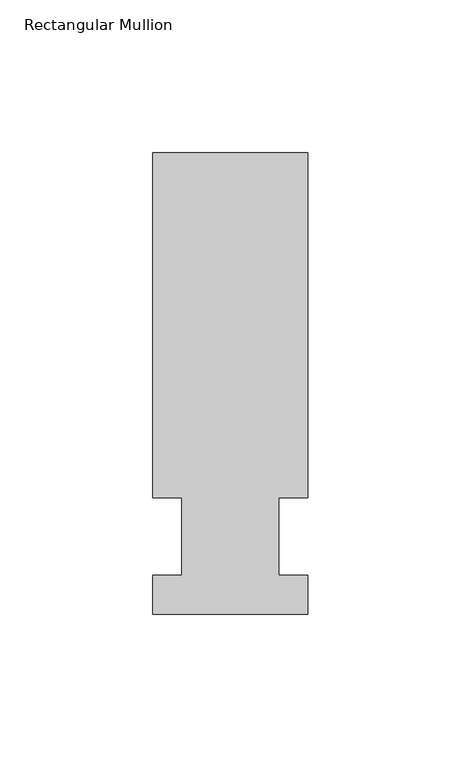
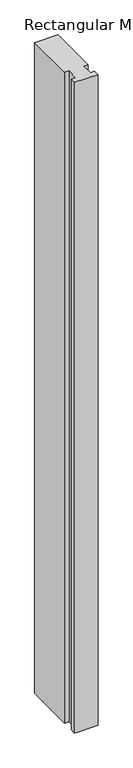
"""IFC4 building model written with IfcOpenShell, lengths in millimetres: member geometry, Rectangular Mullion."""

from ifc_helpers import new_model, si_unit, frame, origin, place, context, project, spatial, polyline, outline, extrude, source, transform, mapped, element, save


def rectangular_mullion_2a69a870(model_context):
    return source(origin(), model_context, "Body", "SweptSolid", [
        extrude(outline(polyline([(-25.4, -25.58415), (-25.4, -12.7), (-15.875, -12.7), (-15.875, 12.7), (-25.4, 12.7), (-25.4, 125.59665), (25.4, 125.59665), (25.4, 12.7), (15.875, 12.7), (15.875, -12.7), (25.4, -12.7), (25.4, -25.58415), (-25.4, -25.58415)])), frame((0.0, 0.0, -1498.6), z_axis=(0.0, 0.0, 1.0), x_axis=(1.0, 0.0, 0.0)), (0.0, 0.0, 1.0), 1498.6),
    ])


if __name__ == "__main__":
    model = new_model("IFC4")
    model_context = context("Model", 3, world=origin())
    ifc_project = project(units=[si_unit("LENGTHUNIT", "METRE", prefix="MILLI")], contexts=[model_context])
    site = spatial("IfcSite", under=ifc_project)
    building = spatial("IfcBuilding", under=site)
    placement = place(None, origin())
    rectangular_mullion_shape = rectangular_mullion_2a69a870(model_context)
    element("IfcMember", 1, ObjectType="Rectangular Mullion", at=placement, inside=building, context=model_context, shape_type="MappedRepresentation", body=[
        mapped(rectangular_mullion_shape, transform((0.0, 0.0, 0.0), x_axis=(1.0, 0.0, 0.0), y_axis=(0.0, 1.0, 0.0), z_axis=(0.0, 0.0, 1.0))),
    ])
    save(model, "model.ifc")
